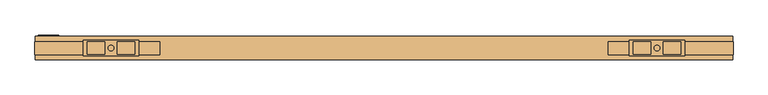
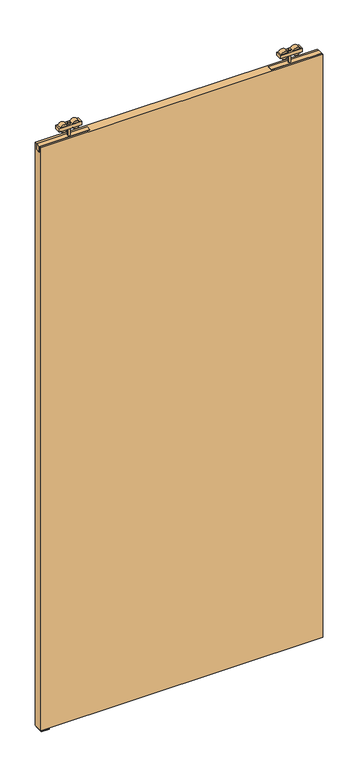
"""IFC4 building model written with IfcOpenShell, lengths in millimetres: door geometry."""

from ifc_helpers import new_model, si_unit, frame, origin, place, context, project, spatial, polyline, circle_curve, outline, extrude, source, transform, mapped, element, save
from ifc_brep_helpers import plane_surface, cylinder_surface, advanced_brep


def door_f2bbc3fb(model_context):
    return source(origin(), model_context, "Body", "SolidModel", [
        advanced_brep(
        [(1165.0, 5.75, 2687.5), (1070.0, 5.75, 2687.5), (1070.0, -20.25, 2687.5), (1165.0, -20.25, 2687.5), (1107.072332, -17.9531798, 2687.5), (1076.78306, -17.9531798, 2687.5), (1076.78306, 3.4531798, 2687.5), (1107.072332, 3.4531798, 2687.5), (1158.21694, -17.9531798, 2687.5), (1127.927668, -17.9531798, 2687.5), (1127.927668, 3.4531798, 2687.5), (1158.21694, 3.4531798, 2687.5), (1122.45, -7.25, 2687.5), (1112.55, -7.25, 2687.5), (1165.0, 5.75, 2672.5), (1165.0, -20.25, 2672.5), (1070.0, -20.25, 2672.5), (1070.0, 5.75, 2672.5), (1076.78306, -17.9531798, 2672.5), (1107.072332, -17.9531798, 2672.5), (1107.072332, 3.4531798, 2672.5), (1076.78306, 3.4531798, 2672.5), (1127.927668, -17.9531798, 2672.5), (1158.21694, -17.9531798, 2672.5), (1158.21694, 3.4531798, 2672.5), (1127.927668, 3.4531798, 2672.5), (1112.55, -7.25, 2672.5), (1122.45, -7.25, 2672.5), (1112.55, -7.25, 2693.0), (1122.45, -7.25, 2693.0), (1112.55, -7.25, 2635.0), (1122.45, -7.25, 2635.0)],
        [
            (0, 1),
            (1, 2),
            (2, 3),
            (3, 0),
            (4, 5),
            (5, 6),
            (6, 7),
            (7, 4),
            (8, 9),
            (9, 10),
            (10, 11),
            (11, 8),
            (12, 13, circle_curve(frame((1117.5, -7.25, 2687.5), z_axis=(0.0, 0.0, -1.0), x_axis=(1.0, 0.0, 0.0)), 4.95)),
            (13, 12, circle_curve(frame((1117.5, -7.25, 2687.5), z_axis=(0.0, 0.0, -1.0), x_axis=(1.0, 0.0, 0.0)), 4.95)),
            (14, 15),
            (15, 16),
            (16, 17),
            (17, 14),
            (18, 19),
            (19, 20),
            (20, 21),
            (21, 18),
            (22, 23),
            (23, 24),
            (24, 25),
            (25, 22),
            (26, 27, circle_curve(frame((1117.5, -7.25, 2672.5), z_axis=(0.0, 0.0, 1.0), x_axis=(1.0, 0.0, 0.0)), 4.95)),
            (27, 26, circle_curve(frame((1117.5, -7.25, 2672.5), z_axis=(0.0, 0.0, 1.0), x_axis=(1.0, 0.0, 0.0)), 4.95)),
            (0, 14),
            (17, 1),
            (16, 2),
            (15, 3),
            (18, 19, circle_curve(frame((1091.927696, -17.9531798, 2680.0), z_axis=(0.0, -1.0, 0.0), x_axis=(1.0, 0.0, 0.0)), 16.9)),
            (4, 5, circle_curve(frame((1091.927696, -17.9531798, 2680.0), z_axis=(0.0, -1.0, 0.0), x_axis=(1.0, 0.0, 0.0)), 16.9)),
            (6, 7, circle_curve(frame((1091.927696, 3.4531798, 2680.0), z_axis=(0.0, 1.0, 0.0), x_axis=(1.0, 0.0, 0.0)), 16.9)),
            (20, 21, circle_curve(frame((1091.927696, 3.4531798, 2680.0), z_axis=(0.0, 1.0, 0.0), x_axis=(1.0, 0.0, 0.0)), 16.9)),
            (8, 9, circle_curve(frame((1143.072304, -17.9531798, 2680.0), z_axis=(0.0, -1.0, 0.0), x_axis=(-1.0, 0.0, 0.0)), 16.9)),
            (22, 23, circle_curve(frame((1143.072304, -17.9531798, 2680.0), z_axis=(0.0, -1.0, 0.0), x_axis=(-1.0, 0.0, 0.0)), 16.9)),
            (24, 25, circle_curve(frame((1143.072304, 3.4531798, 2680.0), z_axis=(0.0, 1.0, 0.0), x_axis=(-1.0, 0.0, 0.0)), 16.9)),
            (10, 11, circle_curve(frame((1143.072304, 3.4531798, 2680.0), z_axis=(0.0, 1.0, 0.0), x_axis=(-1.0, 0.0, 0.0)), 16.9)),
            (28, 29, circle_curve(frame((1117.5, -7.25, 2693.0), z_axis=(0.0, 0.0, 1.0), x_axis=(1.0, 0.0, 0.0)), 4.95)),
            (29, 28, circle_curve(frame((1117.5, -7.25, 2693.0), z_axis=(0.0, 0.0, 1.0), x_axis=(1.0, 0.0, 0.0)), 4.95)),
            (30, 31, circle_curve(frame((1117.5, -7.25, 2635.0), z_axis=(0.0, 0.0, -1.0), x_axis=(1.0, 0.0, 0.0)), 4.95)),
            (31, 30, circle_curve(frame((1117.5, -7.25, 2635.0), z_axis=(0.0, 0.0, -1.0), x_axis=(1.0, 0.0, 0.0)), 4.95)),
            (28, 13),
            (12, 29),
            (31, 27),
            (26, 30),
        ],
        [
            plane_surface(frame((1070.0, 5.75, 2687.5), z_axis=(0.0, 0.0, 1.0), x_axis=(-1.0, 0.0, 0.0))),
            plane_surface(frame((1070.0, 5.75, 2672.5), z_axis=(0.0, 0.0, -1.0), x_axis=(1.0, 0.0, 0.0))),
            plane_surface(frame((1165.0, 5.75, 2687.5), z_axis=(0.0, 1.0, 0.0), x_axis=(0.0, 0.0, -1.0))),
            plane_surface(frame((1070.0, 5.75, 2687.5), z_axis=(-1.0, 0.0, 0.0), x_axis=(0.0, 0.0, -1.0))),
            plane_surface(frame((1070.0, -20.25, 2687.5), z_axis=(0.0, -1.0, 0.0), x_axis=(0.0, 0.0, -1.0))),
            plane_surface(frame((1165.0, -20.25, 2687.5), z_axis=(1.0, 0.0, 0.0), x_axis=(0.0, 0.0, -1.0))),
            plane_surface(frame((1108.827696, -17.9531798, 2680.0), z_axis=(0.0, -1.0, 0.0), x_axis=(0.0, 0.0, 1.0))),
            plane_surface(frame((1108.827696, 3.4531798, 2680.0), z_axis=(0.0, 1.0, 0.0), x_axis=(0.0, 0.0, -1.0))),
            cylinder_surface(frame((1091.927696, 3.4531798, 2680.0), z_axis=(0.0, -1.0, 0.0), x_axis=(1.0, 0.0, 0.0)), 16.9),
            plane_surface(frame((1126.172304, -17.9531798, 2680.0), z_axis=(0.0, -1.0, 0.0), x_axis=(0.0, 0.0, -1.0))),
            plane_surface(frame((1126.172304, 3.4531798, 2680.0), z_axis=(0.0, 1.0, 0.0), x_axis=(0.0, 0.0, 1.0))),
            cylinder_surface(frame((1143.072304, 3.4531798, 2680.0), z_axis=(0.0, -1.0, 0.0), x_axis=(-1.0, 0.0, 0.0)), 16.9),
            plane_surface(frame((1122.45, -7.25, 2693.0), z_axis=(0.0, 0.0, 1.0), x_axis=(0.0, 1.0, 0.0))),
            plane_surface(frame((1122.45, -7.25, 2635.0), z_axis=(0.0, 0.0, -1.0), x_axis=(0.0, -1.0, 0.0))),
            cylinder_surface(frame((1117.5, -7.25, 2635.0), z_axis=(0.0, 0.0, 1.0), x_axis=(1.0, 0.0, 0.0)), 4.95),
        ],
        [
            (0, [[1, 2, 3, 4], [5, 6, 7, 8], [9, 10, 11, 12], [13, 14]]),
            (1, [[15, 16, 17, 18], [19, 20, 21, 22], [23, 24, 25, 26], [27, 28]]),
            (2, [[-1, 29, -18, 30]]),
            (3, [[-2, -30, -17, 31]]),
            (4, [[-3, -31, -16, 32]]),
            (5, [[-4, -32, -15, -29]]),
            (6, [[33, -19]]),
            (6, [[34, -5]]),
            (7, [[35, -7]]),
            (7, [[36, -21]]),
            (8, [[-33, -22, -36, -20]]),
            (8, [[-34, -8, -35, -6]]),
            (9, [[37, -9]]),
            (9, [[38, -23]]),
            (10, [[39, -25]]),
            (10, [[40, -11]]),
            (11, [[-38, -26, -39, -24]]),
            (11, [[-37, -12, -40, -10]]),
            (12, [[41, 42]]),
            (13, [[43, 44]]),
            (14, [[-41, 45, -13, 46]]),
            (14, [[-44, 47, -27, 48]]),
            (14, [[-42, -46, -14, -45]]),
            (14, [[-43, -48, -28, -47]]),
        ],
    ),
        extrude(outline(polyline([(1248.5, -18.5074263), (1033.5, -18.5074263), (1033.5, 3.4925737), (1248.5, 3.4925737), (1248.5, -18.5074263)])), frame((0.0, 0.0, 2610.2), z_axis=(0.0, 0.0, 1.0), x_axis=(1.0, 0.0, 0.0)), (0.0, 0.0, 1.0), 24.8),
        advanced_brep(
        [(130.0, 5.75, 2687.5), (130.0, -20.25, 2687.5), (225.0, -20.25, 2687.5), (225.0, 5.75, 2687.5), (187.927668, -17.9531798, 2687.5), (187.927668, 3.4531798, 2687.5), (218.21694, 3.4531798, 2687.5), (218.21694, -17.9531798, 2687.5), (136.78306, -17.9531798, 2687.5), (136.78306, 3.4531798, 2687.5), (167.072332, 3.4531798, 2687.5), (167.072332, -17.9531798, 2687.5), (172.55, -7.25, 2687.5), (182.45, -7.25, 2687.5), (130.0, 5.75, 2672.5), (225.0, 5.75, 2672.5), (225.0, -20.25, 2672.5), (130.0, -20.25, 2672.5), (218.21694, -17.9531798, 2672.5), (218.21694, 3.4531798, 2672.5), (187.927668, 3.4531798, 2672.5), (187.927668, -17.9531798, 2672.5), (167.072332, -17.9531798, 2672.5), (167.072332, 3.4531798, 2672.5), (136.78306, 3.4531798, 2672.5), (136.78306, -17.9531798, 2672.5), (182.45, -7.25, 2672.5), (172.55, -7.25, 2672.5), (182.45, -7.25, 2693.0), (172.55, -7.25, 2693.0), (182.45, -7.25, 2635.0), (172.55, -7.25, 2635.0)],
        [
            (0, 1),
            (1, 2),
            (2, 3),
            (3, 0),
            (4, 5),
            (5, 6),
            (6, 7),
            (7, 4),
            (8, 9),
            (9, 10),
            (10, 11),
            (11, 8),
            (12, 13, circle_curve(frame((177.5, -7.25, 2687.5), z_axis=(0.0, 0.0, -1.0), x_axis=(-1.0, 0.0, 0.0)), 4.95)),
            (13, 12, circle_curve(frame((177.5, -7.25, 2687.5), z_axis=(0.0, 0.0, -1.0), x_axis=(-1.0, 0.0, 0.0)), 4.95)),
            (14, 15),
            (15, 16),
            (16, 17),
            (17, 14),
            (18, 19),
            (19, 20),
            (20, 21),
            (21, 18),
            (22, 23),
            (23, 24),
            (24, 25),
            (25, 22),
            (26, 27, circle_curve(frame((177.5, -7.25, 2672.5), z_axis=(0.0, 0.0, 1.0), x_axis=(-1.0, 0.0, 0.0)), 4.95)),
            (27, 26, circle_curve(frame((177.5, -7.25, 2672.5), z_axis=(0.0, 0.0, 1.0), x_axis=(-1.0, 0.0, 0.0)), 4.95)),
            (3, 15),
            (14, 0),
            (2, 16),
            (1, 17),
            (7, 4, circle_curve(frame((203.072304, -17.9531798, 2680.0), z_axis=(0.0, -1.0, 0.0), x_axis=(-1.0, 0.0, 0.0)), 16.9)),
            (21, 18, circle_curve(frame((203.072304, -17.9531798, 2680.0), z_axis=(0.0, -1.0, 0.0), x_axis=(-1.0, 0.0, 0.0)), 16.9)),
            (5, 6, circle_curve(frame((203.072304, 3.4531798, 2680.0), z_axis=(0.0, 1.0, 0.0), x_axis=(-1.0, 0.0, 0.0)), 16.9)),
            (19, 20, circle_curve(frame((203.072304, 3.4531798, 2680.0), z_axis=(0.0, 1.0, 0.0), x_axis=(-1.0, 0.0, 0.0)), 16.9)),
            (11, 8, circle_curve(frame((151.927696, -17.9531798, 2680.0), z_axis=(0.0, -1.0, 0.0), x_axis=(1.0, 0.0, 0.0)), 16.9)),
            (25, 22, circle_curve(frame((151.927696, -17.9531798, 2680.0), z_axis=(0.0, -1.0, 0.0), x_axis=(1.0, 0.0, 0.0)), 16.9)),
            (9, 10, circle_curve(frame((151.927696, 3.4531798, 2680.0), z_axis=(0.0, 1.0, 0.0), x_axis=(1.0, 0.0, 0.0)), 16.9)),
            (23, 24, circle_curve(frame((151.927696, 3.4531798, 2680.0), z_axis=(0.0, 1.0, 0.0), x_axis=(1.0, 0.0, 0.0)), 16.9)),
            (28, 29, circle_curve(frame((177.5, -7.25, 2693.0), z_axis=(0.0, 0.0, 1.0), x_axis=(-1.0, 0.0, 0.0)), 4.95)),
            (29, 28, circle_curve(frame((177.5, -7.25, 2693.0), z_axis=(0.0, 0.0, 1.0), x_axis=(-1.0, 0.0, 0.0)), 4.95)),
            (30, 31, circle_curve(frame((177.5, -7.25, 2635.0), z_axis=(0.0, 0.0, -1.0), x_axis=(-1.0, 0.0, 0.0)), 4.95)),
            (31, 30, circle_curve(frame((177.5, -7.25, 2635.0), z_axis=(0.0, 0.0, -1.0), x_axis=(-1.0, 0.0, 0.0)), 4.95)),
            (30, 26),
            (27, 31),
            (29, 12),
            (13, 28),
        ],
        [
            plane_surface(frame((225.0, 5.75, 2687.5), z_axis=(0.0, 0.0, 1.0), x_axis=(1.0, 0.0, 0.0))),
            plane_surface(frame((225.0, 5.75, 2672.5), z_axis=(0.0, 0.0, -1.0), x_axis=(-1.0, 0.0, 0.0))),
            plane_surface(frame((130.0, 5.75, 2687.5), z_axis=(0.0, 1.0, 0.0), x_axis=(0.0, 0.0, -1.0))),
            plane_surface(frame((225.0, 5.75, 2687.5), z_axis=(1.0, 0.0, 0.0), x_axis=(0.0, 0.0, -1.0))),
            plane_surface(frame((225.0, -20.25, 2687.5), z_axis=(0.0, -1.0, 0.0), x_axis=(0.0, 0.0, -1.0))),
            plane_surface(frame((130.0, -20.25, 2687.5), z_axis=(-1.0, 0.0, 0.0), x_axis=(0.0, 0.0, -1.0))),
            plane_surface(frame((186.172304, -17.9531798, 2680.0), z_axis=(0.0, -1.0, 0.0), x_axis=(0.0, 0.0, 1.0))),
            plane_surface(frame((186.172304, 3.4531798, 2680.0), z_axis=(0.0, 1.0, 0.0), x_axis=(0.0, 0.0, -1.0))),
            cylinder_surface(frame((203.072304, 3.4531798, 2680.0), z_axis=(0.0, -1.0, 0.0), x_axis=(-1.0, 0.0, 0.0)), 16.9),
            plane_surface(frame((168.827696, -17.9531798, 2680.0), z_axis=(0.0, -1.0, 0.0), x_axis=(0.0, 0.0, -1.0))),
            plane_surface(frame((168.827696, 3.4531798, 2680.0), z_axis=(0.0, 1.0, 0.0), x_axis=(0.0, 0.0, 1.0))),
            cylinder_surface(frame((151.927696, 3.4531798, 2680.0), z_axis=(0.0, -1.0, 0.0), x_axis=(1.0, 0.0, 0.0)), 16.9),
            plane_surface(frame((172.55, -7.25, 2693.0), z_axis=(0.0, 0.0, 1.0), x_axis=(0.0, 1.0, 0.0))),
            plane_surface(frame((172.55, -7.25, 2635.0), z_axis=(0.0, 0.0, -1.0), x_axis=(0.0, -1.0, 0.0))),
            cylinder_surface(frame((177.5, -7.25, 2635.0), z_axis=(0.0, 0.0, 1.0), x_axis=(-1.0, 0.0, 0.0)), 4.95),
        ],
        [
            (0, [[1, 2, 3, 4], [5, 6, 7, 8], [9, 10, 11, 12], [13, 14]]),
            (1, [[15, 16, 17, 18], [19, 20, 21, 22], [23, 24, 25, 26], [27, 28]]),
            (2, [[29, -15, 30, -4]]),
            (3, [[31, -16, -29, -3]]),
            (4, [[32, -17, -31, -2]]),
            (5, [[-30, -18, -32, -1]]),
            (6, [[-8, 33]]),
            (6, [[-22, 34]]),
            (7, [[-6, 35]]),
            (7, [[-20, 36]]),
            (8, [[-21, -36, -19, -34]]),
            (8, [[-7, -35, -5, -33]]),
            (9, [[-12, 37]]),
            (9, [[-26, 38]]),
            (10, [[-10, 39]]),
            (10, [[-24, 40]]),
            (11, [[-25, -40, -23, -38]]),
            (11, [[-11, -39, -9, -37]]),
            (12, [[41, 42]]),
            (13, [[43, 44]]),
            (14, [[45, -28, 46, -43]]),
            (14, [[47, -14, 48, -42]]),
            (14, [[-48, -13, -47, -41]]),
            (14, [[-46, -27, -45, -44]]),
        ],
    ),
        extrude(outline(polyline([(46.5, -18.5074263), (46.5, 3.4925737), (261.5, 3.4925737), (261.5, -18.5074263), (46.5, -18.5074263)])), frame((0.0, 0.0, 2610.2), z_axis=(0.0, 0.0, 1.0), x_axis=(1.0, 0.0, 0.0)), (0.0, 0.0, 1.0), 24.8),
        extrude(outline(polyline([(47.5, 12.75), (1247.5, 12.75), (1247.5, -27.25), (47.5, -27.25), (47.5, 12.75)])), frame((0.0, 0.0, 10.0), z_axis=(0.0, 0.0, 1.0), x_axis=(1.0, 0.0, 0.0)), (0.0, 0.0, 1.0), 2625.0),
        extrude(outline(polyline([(15.3483682, 2.0), (15.3483682, 0.0), (-21.25, 0.0), (-21.25, 2.0), (-7.25, 2.0), (-7.25, 26.0), (1.6516318, 26.0), (1.6516318, 2.0), (15.3483682, 2.0)])), frame((52.5, 0.0, 0.0), z_axis=(1.0, 0.0, 0.0), x_axis=(0.0, 1.0, 0.0)), (0.0, 0.0, 1.0), 35.0),
    ])


if __name__ == "__main__":
    model = new_model("IFC4")
    model_context = context("Model", 3, world=origin())
    ifc_project = project(units=[si_unit("LENGTHUNIT", "METRE", prefix="MILLI")], contexts=[model_context])
    site = spatial("IfcSite", under=ifc_project)
    building = spatial("IfcBuilding", under=site)
    placement = place(None, origin())
    door_shape = door_f2bbc3fb(model_context)
    element("IfcDoor", 1, at=placement, inside=building, context=model_context, shape_type="MappedRepresentation", body=[
        mapped(door_shape, transform((0.0, 0.0, 0.0), x_axis=(1.0, 0.0, 0.0), y_axis=(0.0, 1.0, 0.0), z_axis=(0.0, 0.0, 1.0))),
    ])
    save(model, "model.ifc")
